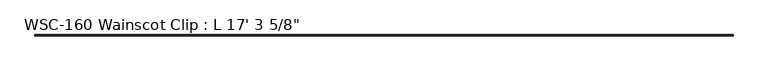
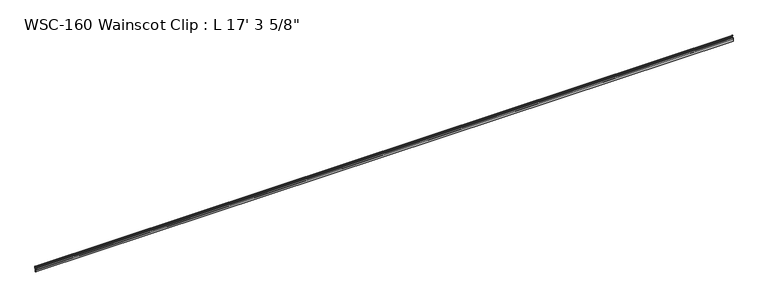
"""IFC4 building model written with IfcOpenShell, lengths in millimetres: proxy geometry."""

from ifc_helpers import new_model, si_unit, frame, origin, place, context, project, spatial, polyline, circle_curve, source, transform, mapped, element, save
from ifc_brep_helpers import plane_surface, cylinder_surface, revolved_surface, advanced_brep


def proxy_ac32ebb0(model_context):
    return source(origin(), model_context, "Body", "AdvancedBrep", [
        advanced_brep(
        [(5273.675, -2.3858534, 23.8097395), (5273.675, 0.0, 23.8097395), (5273.675, 0.0, 36.5513594), (5273.675, -2.3349522, 39.6132126), (5273.675, -2.0809522, 40.594561), (5273.675, -2.3349522, 41.3393599), (5273.675, -2.0809522, 42.1048475), (5273.675, -2.3329752, 43.1624591), (5273.675, -4.1129522, 43.1610826), (5273.675, -4.3669522, 42.395595), (5273.675, -4.1129522, 41.6507961), (5273.675, -4.3669522, 40.8853085), (5273.675, -4.1129522, 40.1405096), (5273.675, -4.1129522, 38.1388594), (5273.675, -3.175, 38.1388594), (5273.675, -1.5875, 36.5513594), (5273.675, -1.5875, 33.1154996), (5273.675, -1.3035832, 32.0559078), (5273.675, -1.3035832, 30.7205546), (5273.675, -1.5875, 29.9404996), (5273.675, -1.5875, 26.9720395), (5273.675, -3.1623, 25.3972395), (5273.675, -5.8629506, 25.3951457), (5273.675, -5.5328714, 24.6872886), (5273.675, -5.8629506, 23.9794315), (5273.675, -5.5328714, 23.2715744), (5273.675, -5.8629506, 22.5637173), (5273.675, -5.5328714, 21.8558602), (5273.675, -5.8629506, 21.1480031), (5273.675, -5.5328714, 20.440146), (5273.675, -5.8629506, 19.7322889), (5273.675, -5.5328714, 19.0244318), (5273.675, -5.8629506, 18.3165747), (5273.675, -5.5328714, 17.6087176), (5273.675, -5.8629506, 16.9008605), (5273.675, -5.5328714, 16.1930034), (5273.675, -5.5328714, 15.3090246), (5273.675, -8.2409572, 15.4279003), (5273.675, -8.2409572, 16.3510451), (5273.675, -8.050618, 17.1144537), (5273.675, -8.2409572, 17.9053684), (5273.675, -8.050618, 18.8008436), (5273.675, -8.2409572, 19.7152763), (5273.675, -8.050618, 20.4786849), (5273.675, -8.2409572, 21.3931176), (5273.675, -8.050618, 22.1565262), (5273.675, -8.2409572, 22.9474409), (5273.675, -8.050618, 23.7108495), (5273.675, -8.2409572, 24.5017642), (5273.675, -8.050618, 25.3972395), (5273.675, -9.525, 25.3972395), (5273.675, -9.525, 0.0), (5273.675, -5.6374865, 0.0), (5273.675, -5.6374865, 1.5327614), (5273.675, -6.5278, 1.5327614), (5273.675, -6.5278, 5.9833241), (5273.675, -7.2186149, 6.674139), (5273.675, -6.5278, 7.3649539), (5273.675, -6.5278, 11.8248539), (5273.675, -5.73278, 12.6198739), (5273.675, -3.9733534, 14.1980366), (5273.675, -3.9733534, 22.2222395), (0.0, -2.3858534, 23.8097395), (0.0, -3.9733534, 22.2222395), (0.0, -3.9733534, 14.1980366), (0.0, -5.73278, 12.6198739), (0.0, -6.5278, 11.8248539), (0.0, -6.5278, 7.3649539), (0.0, -7.2186149, 6.674139), (0.0, -6.5278, 5.9833241), (0.0, -6.5278, 1.5327614), (0.0, -5.6374865, 1.5327614), (0.0, -5.6374865, 0.0), (0.0, -9.525, 0.0), (0.0, -9.525, 25.3972395), (0.0, -8.050618, 25.3972395), (0.0, -8.2409572, 24.5017642), (0.0, -8.050618, 23.7108495), (0.0, -8.2409572, 22.9474409), (0.0, -8.050618, 22.1565262), (0.0, -8.2409572, 21.3931176), (0.0, -8.050618, 20.4786849), (0.0, -8.2409572, 19.7152763), (0.0, -8.050618, 18.8008436), (0.0, -8.2409572, 17.9053684), (0.0, -8.050618, 17.1144537), (0.0, -8.2409572, 16.3510451), (0.0, -8.2409572, 15.4279003), (0.0, -5.5328714, 15.3090246), (0.0, -5.5328714, 16.1930034), (0.0, -5.8629506, 16.9008605), (0.0, -5.5328714, 17.6087176), (0.0, -5.8629506, 18.3165747), (0.0, -5.5328714, 19.0244318), (0.0, -5.8629506, 19.7322889), (0.0, -5.5328714, 20.440146), (0.0, -5.8629506, 21.1480031), (0.0, -5.5328714, 21.8558602), (0.0, -5.8629506, 22.5637173), (0.0, -5.5328714, 23.2715744), (0.0, -5.8629506, 23.9794315), (0.0, -5.5328714, 24.6872886), (0.0, -5.8629506, 25.3951457), (0.0, -3.1623, 25.3951457), (0.0, -1.5875, 26.9720395), (0.0, -1.5875, 29.9404996), (0.0, -1.3035832, 30.7205546), (0.0, -1.3035832, 32.0559078), (0.0, -1.5875, 33.1154996), (0.0, -1.5875, 36.5513594), (0.0, -3.175, 38.1388594), (0.0, -4.1129522, 38.1388594), (0.0, -4.1129522, 40.1405096), (0.0, -4.3669522, 40.8853085), (0.0, -4.1129522, 41.6507961), (0.0, -4.3669522, 42.395595), (0.0, -4.1129522, 43.1610826), (0.0, -2.3329752, 43.1624591), (0.0, -2.0809522, 42.1048475), (0.0, -2.3349522, 41.3393599), (0.0, -2.0809522, 40.594561), (0.0, -2.3349522, 39.6132126), (0.0, 0.0, 36.5513594), (0.0, 0.0, 23.8097395)],
        [
            (0, 1),
            (1, 2),
            (2, 3, circle_curve(frame((5273.675, -3.175, 36.5513594), z_axis=(1.0, 0.0, 0.0), x_axis=(0.0, 0.0, -1.0)), 3.175)),
            (3, 4),
            (4, 5),
            (5, 6),
            (6, 7),
            (7, 8, circle_curve(frame((5273.675, -3.2239522, 44.4400699), z_axis=(-1.0, 0.0, 0.0), x_axis=(0.0, 0.0, -1.0)), 1.5576038)),
            (8, 9),
            (9, 10),
            (10, 11),
            (11, 12),
            (12, 13),
            (13, 14),
            (14, 15, circle_curve(frame((5273.675, -3.175, 36.5513594), z_axis=(-1.0, 0.0, 0.0), x_axis=(0.0, 0.0, -1.0)), 1.5875)),
            (15, 16),
            (16, 17),
            (17, 18),
            (18, 19),
            (19, 20),
            (20, 21, circle_curve(frame((5273.675, -3.1623, 26.9720395), z_axis=(-1.0, 0.0, 0.0), x_axis=(0.0, 0.0, -1.0)), 1.5748)),
            (21, 22),
            (22, 23),
            (23, 24),
            (24, 25),
            (25, 26),
            (26, 27),
            (27, 28),
            (28, 29),
            (29, 30),
            (30, 31),
            (31, 32),
            (32, 33),
            (33, 34),
            (34, 35),
            (35, 36),
            (36, 37, circle_curve(frame((5273.675, -6.8679054, 15.8014998), z_axis=(-1.0, 0.0, 0.0), x_axis=(0.0, 0.0, -1.0)), 1.4229714)),
            (37, 38),
            (38, 39),
            (39, 40),
            (40, 41),
            (41, 42),
            (42, 43),
            (43, 44),
            (44, 45),
            (45, 46),
            (46, 47),
            (47, 48),
            (48, 49),
            (49, 50),
            (50, 51),
            (51, 52),
            (52, 53),
            (53, 54),
            (54, 55),
            (55, 56),
            (56, 57),
            (57, 58),
            (58, 59, circle_curve(frame((5273.675, -5.73278, 11.8248539), z_axis=(-1.0, 0.0, 0.0), x_axis=(0.0, 0.0, -1.0)), 0.79502)),
            (59, 60, circle_curve(frame((5273.675, -5.5608534, 14.1980366), z_axis=(1.0, 0.0, 0.0), x_axis=(0.0, 0.0, -1.0)), 1.5875)),
            (60, 61),
            (61, 0, circle_curve(frame((5273.675, -2.3858534, 22.2222395), z_axis=(-1.0, 0.0, 0.0), x_axis=(0.0, 0.0, -1.0)), 1.5875)),
            (62, 63, circle_curve(frame((0.0, -2.3858534, 22.2222395), z_axis=(1.0, 0.0, 0.0), x_axis=(0.0, 0.0, -1.0)), 1.5875)),
            (63, 64),
            (64, 65, circle_curve(frame((0.0, -5.5608534, 14.1980366), z_axis=(-1.0, 0.0, 0.0), x_axis=(0.0, 0.0, -1.0)), 1.5875)),
            (65, 66, circle_curve(frame((0.0, -5.73278, 11.8248539), z_axis=(1.0, 0.0, 0.0), x_axis=(0.0, 0.0, -1.0)), 0.79502)),
            (66, 67),
            (67, 68),
            (68, 69),
            (69, 70),
            (70, 71),
            (71, 72),
            (72, 73),
            (73, 74),
            (74, 75),
            (75, 76),
            (76, 77),
            (77, 78),
            (78, 79),
            (79, 80),
            (80, 81),
            (81, 82),
            (82, 83),
            (83, 84),
            (84, 85),
            (85, 86),
            (86, 87),
            (87, 88, circle_curve(frame((0.0, -6.8679054, 15.8014998), z_axis=(1.0, 0.0, 0.0), x_axis=(0.0, 0.0, -1.0)), 1.4229714)),
            (88, 89),
            (89, 90),
            (90, 91),
            (91, 92),
            (92, 93),
            (93, 94),
            (94, 95),
            (95, 96),
            (96, 97),
            (97, 98),
            (98, 99),
            (99, 100),
            (100, 101),
            (101, 102),
            (102, 103),
            (103, 104, circle_curve(frame((0.0, -3.1623, 26.9720395), z_axis=(1.0, 0.0, 0.0), x_axis=(0.0, 0.0, -1.0)), 1.5748)),
            (104, 105),
            (105, 106),
            (106, 107),
            (107, 108),
            (108, 109),
            (109, 110, circle_curve(frame((0.0, -3.175, 36.5513594), z_axis=(1.0, 0.0, 0.0), x_axis=(0.0, 0.0, -1.0)), 1.5875)),
            (110, 111),
            (111, 112),
            (112, 113),
            (113, 114),
            (114, 115),
            (115, 116),
            (116, 117, circle_curve(frame((0.0, -3.2239522, 44.4400699), z_axis=(1.0, 0.0, 0.0), x_axis=(0.0, 0.0, -1.0)), 1.5576038)),
            (117, 118),
            (118, 119),
            (119, 120),
            (120, 121),
            (121, 122, circle_curve(frame((0.0, -3.175, 36.5513594), z_axis=(-1.0, 0.0, 0.0), x_axis=(0.0, 0.0, -1.0)), 3.175)),
            (122, 123),
            (123, 62),
            (0, 62),
            (123, 1),
            (122, 2),
            (121, 3),
            (120, 4),
            (119, 5),
            (118, 6),
            (117, 7),
            (116, 8),
            (115, 9),
            (114, 10),
            (113, 11),
            (112, 12),
            (111, 13),
            (110, 14),
            (109, 15),
            (108, 16),
            (107, 17),
            (106, 18),
            (105, 19),
            (104, 20),
            (103, 21),
            (102, 22),
            (101, 23),
            (100, 24),
            (99, 25),
            (98, 26),
            (97, 27),
            (96, 28),
            (95, 29),
            (94, 30),
            (93, 31),
            (92, 32),
            (91, 33),
            (90, 34),
            (89, 35),
            (88, 36),
            (87, 37),
            (86, 38),
            (85, 39),
            (84, 40),
            (83, 41),
            (82, 42),
            (81, 43),
            (80, 44),
            (79, 45),
            (78, 46),
            (77, 47),
            (76, 48),
            (75, 49),
            (74, 50),
            (73, 51),
            (72, 52),
            (71, 53),
            (70, 54),
            (69, 55),
            (68, 56),
            (67, 57),
            (66, 58),
            (65, 59),
            (64, 60),
            (63, 61),
        ],
        [
            plane_surface(frame((5273.675, -2.3858534, 23.8097395), z_axis=(1.0, 0.0, 0.0), x_axis=(0.0, 1.0, 0.0))),
            plane_surface(frame((0.0, -2.3858534, 23.8097395), z_axis=(-1.0, 0.0, 0.0), x_axis=(0.0, -1.0, 0.0))),
            plane_surface(frame((5273.675, -2.3858534, 23.8097395), z_axis=(0.0, 0.0, -1.0), x_axis=(-1.0, 0.0, 0.0))),
            plane_surface(frame((5273.675, 0.0, 23.8097395), z_axis=(0.0, 1.0, 0.0), x_axis=(-1.0, 0.0, 0.0))),
            cylinder_surface(frame((0.0, -3.175, 36.5513594), z_axis=(1.0, 0.0, 0.0), x_axis=(0.0, 0.0, -1.0)), 3.175),
            plane_surface(frame((5273.675, -2.3349522, 39.6132126), z_axis=(0.0, 0.9680983532440974, -0.25057050593808283), x_axis=(-1.0, 0.0, 0.0))),
            plane_surface(frame((5273.675, -2.0809522, 40.594561), z_axis=(0.0, 0.9464747536957336, 0.32277785025710864), x_axis=(-1.0, 0.0, 0.0))),
            plane_surface(frame((5273.675, -2.3349522, 41.3393599), z_axis=(0.0, 0.9491148332111727, -0.3149302039794338), x_axis=(-1.0, 0.0, 0.0))),
            plane_surface(frame((5273.675, -2.0809522, 42.1048475), z_axis=(0.0, 0.9727625382470033, 0.23180389164819368), x_axis=(-1.0, 0.0, 0.0))),
            revolved_surface(polyline([(0.0, -3.2239522, 42.882466099999995), (5273.675, -3.2239522, 42.882466099999995)]), (0.0, -3.2239522, 44.4400699), (-1.0, 0.0, 0.0)),
            plane_surface(frame((5273.675, -4.1129522, 43.1610826), z_axis=(0.0, -0.9491148332111751, 0.31493020397942695), x_axis=(-1.0, 0.0, 0.0))),
            plane_surface(frame((5273.675, -4.3669522, 42.395595), z_axis=(0.0, -0.946474753695733, -0.3227778502571104), x_axis=(-1.0, 0.0, 0.0))),
            plane_surface(frame((5273.675, -4.1129522, 41.6507961), z_axis=(0.0, -0.9491148332111737, 0.31493020397943094), x_axis=(-1.0, 0.0, 0.0))),
            plane_surface(frame((5273.675, -4.3669522, 40.8853085), z_axis=(0.0, -0.946474753695735, -0.32277785025710465), x_axis=(-1.0, 0.0, 0.0))),
            plane_surface(frame((5273.675, -4.1129522, 40.1405096), z_axis=(0.0, -1.0, 0.0), x_axis=(-1.0, 0.0, 0.0))),
            plane_surface(frame((5273.675, -4.1129522, 38.1388594), z_axis=(0.0, 0.0, -1.0), x_axis=(-1.0, 0.0, 0.0))),
            revolved_surface(polyline([(0.0, -3.175, 34.963859400000004), (5273.675, -3.175, 34.963859400000004)]), (0.0, -3.175, 36.5513594), (-1.0, 0.0, 0.0)),
            plane_surface(frame((5273.675, -1.5875, 36.5513594), z_axis=(0.0, -1.0, 0.0), x_axis=(-1.0, 0.0, 0.0))),
            plane_surface(frame((5273.675, -1.5875, 33.1154996), z_axis=(0.0, -0.9659258262890671, -0.2588190451025254), x_axis=(-1.0, 0.0, 0.0))),
            plane_surface(frame((5273.675, -1.3035832, 32.0559078), z_axis=(0.0, -1.0, 0.0), x_axis=(-1.0, 0.0, 0.0))),
            plane_surface(frame((5273.675, -1.3035832, 30.7205546), z_axis=(0.0, -0.9396926207859093, 0.3420201433256662), x_axis=(-1.0, 0.0, 0.0))),
            plane_surface(frame((5273.675, -1.5875, 29.9404996), z_axis=(0.0, -1.0, 0.0), x_axis=(-1.0, 0.0, 0.0))),
            revolved_surface(polyline([(0.0, -3.1623, 25.3972395), (5273.675, -3.1623, 25.3972395)]), (0.0, -3.1623, 26.9720395), (-1.0, 0.0, 0.0)),
            plane_surface(frame((5273.675, -3.1623, 25.3951457), z_axis=(0.0, 0.0, 1.0), x_axis=(-1.0, 0.0, 0.0))),
            plane_surface(frame((5273.675, -5.8629506, 25.3951457), z_axis=(0.0, -0.9063077870366459, -0.4226182617407081), x_axis=(-1.0, 0.0, 0.0))),
            plane_surface(frame((5273.675, -5.5328714, 24.6872886), z_axis=(0.0, -0.9063077870366516, 0.42261826174069606), x_axis=(-1.0, 0.0, 0.0))),
            plane_surface(frame((5273.675, -5.8629506, 23.9794315), z_axis=(0.0, -0.9063077870366458, -0.4226182617407084), x_axis=(-1.0, 0.0, 0.0))),
            plane_surface(frame((5273.675, -5.5328714, 23.2715744), z_axis=(0.0, -0.906307787036653, 0.42261826174069284), x_axis=(-1.0, 0.0, 0.0))),
            plane_surface(frame((5273.675, -5.8629506, 22.5637173), z_axis=(0.0, -0.9063077870366464, -0.4226182617407073), x_axis=(-1.0, 0.0, 0.0))),
            plane_surface(frame((5273.675, -5.5328714, 21.8558602), z_axis=(0.0, -0.9063077870366542, 0.4226182617406906), x_axis=(-1.0, 0.0, 0.0))),
            plane_surface(frame((5273.675, -5.8629506, 21.1480031), z_axis=(0.0, -0.9063077870366474, -0.4226182617407052), x_axis=(-1.0, 0.0, 0.0))),
            plane_surface(frame((5273.675, -5.5328714, 20.440146), z_axis=(0.0, -0.9063077870366553, 0.4226182617406882), x_axis=(-1.0, 0.0, 0.0))),
            plane_surface(frame((5273.675, -5.8629506, 19.7322889), z_axis=(0.0, -0.9063077870366473, -0.4226182617407052), x_axis=(-1.0, 0.0, 0.0))),
            plane_surface(frame((5273.675, -5.5328714, 19.0244318), z_axis=(0.0, -0.9063077870366582, 0.42261826174068207), x_axis=(-1.0, 0.0, 0.0))),
            plane_surface(frame((5273.675, -5.8629506, 18.3165747), z_axis=(0.0, -0.9063077870366459, -0.4226182617407081), x_axis=(-1.0, 0.0, 0.0))),
            plane_surface(frame((5273.675, -5.5328714, 17.6087176), z_axis=(0.0, -0.906307787036658, 0.42261826174068207), x_axis=(-1.0, 0.0, 0.0))),
            plane_surface(frame((5273.675, -5.8629506, 16.9008605), z_axis=(0.0, -0.9063077870366475, -0.42261826174070494), x_axis=(-1.0, 0.0, 0.0))),
            plane_surface(frame((5273.675, -5.5328714, 16.1930034), z_axis=(0.0, -1.0, 0.0), x_axis=(-1.0, 0.0, 0.0))),
            revolved_surface(polyline([(0.0, -6.8679054, 14.3785284), (5273.675, -6.8679054, 14.3785284)]), (0.0, -6.8679054, 15.8014998), (-1.0, 0.0, 0.0)),
            plane_surface(frame((5273.675, -8.2409572, 15.4279003), z_axis=(0.0, 1.0, 0.0), x_axis=(-1.0, 0.0, 0.0))),
            plane_surface(frame((5273.675, -8.2409572, 16.3510451), z_axis=(0.0, 0.9702957262759974, -0.2419218955996646), x_axis=(-1.0, 0.0, 0.0))),
            plane_surface(frame((5273.675, -8.050618, 17.1144537), z_axis=(0.0, 0.9722421717392611, 0.23397683537419944), x_axis=(-1.0, 0.0, 0.0))),
            plane_surface(frame((5273.675, -8.2409572, 17.9053684), z_axis=(0.0, 0.9781476007338057, -0.20791169081775937), x_axis=(-1.0, 0.0, 0.0))),
            plane_surface(frame((5273.675, -8.050618, 18.8008436), z_axis=(0.0, 0.9790162504721776, 0.2037821908592571), x_axis=(-1.0, 0.0, 0.0))),
            plane_surface(frame((5273.675, -8.2409572, 19.7152763), z_axis=(0.0, 0.9702957262759989, -0.24192189559965824), x_axis=(-1.0, 0.0, 0.0))),
            plane_surface(frame((5273.675, -8.050618, 20.4786849), z_axis=(0.0, 0.9790162504721778, 0.20378219085925564), x_axis=(-1.0, 0.0, 0.0))),
            plane_surface(frame((5273.675, -8.2409572, 21.3931176), z_axis=(0.0, 0.9702957262759974, -0.24192189559966457), x_axis=(-1.0, 0.0, 0.0))),
            plane_surface(frame((5273.675, -8.050618, 22.1565262), z_axis=(0.0, 0.9722421717392612, 0.23397683537419922), x_axis=(-1.0, 0.0, 0.0))),
            plane_surface(frame((5273.675, -8.2409572, 22.9474409), z_axis=(0.0, 0.9702957262759969, -0.2419218955996659), x_axis=(-1.0, 0.0, 0.0))),
            plane_surface(frame((5273.675, -8.050618, 23.7108495), z_axis=(0.0, 0.9722421717392613, 0.23397683537419872), x_axis=(-1.0, 0.0, 0.0))),
            plane_surface(frame((5273.675, -8.2409572, 24.5017642), z_axis=(0.0, 0.9781476007338065, -0.20791169081775543), x_axis=(-1.0, 0.0, 0.0))),
            plane_surface(frame((5273.675, -8.050618, 25.3972395), z_axis=(0.0, 0.0, 1.0), x_axis=(-1.0, 0.0, 0.0))),
            plane_surface(frame((5273.675, -9.525, 25.3972395), z_axis=(0.0, -1.0, 0.0), x_axis=(-1.0, 0.0, 0.0))),
            plane_surface(frame((5273.675, -9.525, 0.0), z_axis=(0.0, 0.0, -1.0), x_axis=(-1.0, 0.0, 0.0))),
            plane_surface(frame((5273.675, -5.6374865, 0.0), z_axis=(0.0, 1.0, 0.0), x_axis=(-1.0, 0.0, 0.0))),
            plane_surface(frame((5273.675, -5.6374865, 1.5327614), z_axis=(0.0, 0.0, 1.0), x_axis=(-1.0, 0.0, 0.0))),
            plane_surface(frame((5273.675, -6.5278, 1.5327614), z_axis=(0.0, 1.0, 0.0), x_axis=(-1.0, 0.0, 0.0))),
            plane_surface(frame((5273.675, -6.5278, 5.9833241), z_axis=(0.0, 0.7071067811866016, 0.7071067811864934), x_axis=(-1.0, 0.0, 0.0))),
            plane_surface(frame((5273.675, -7.2186149, 6.674139), z_axis=(0.0, 0.7071067811864284, -0.7071067811866666), x_axis=(-1.0, 0.0, 0.0))),
            plane_surface(frame((5273.675, -6.5278, 7.3649539), z_axis=(0.0, 1.0, 0.0), x_axis=(-1.0, 0.0, 0.0))),
            revolved_surface(polyline([(0.0, -5.73278, 11.029833900000002), (5273.675, -5.73278, 11.029833900000002)]), (0.0, -5.73278, 11.8248539), (-1.0, 0.0, 0.0)),
            cylinder_surface(frame((0.0, -5.5608534, 14.1980366), z_axis=(1.0, 0.0, 0.0), x_axis=(0.0, 0.0, -1.0)), 1.5875),
            plane_surface(frame((5273.675, -3.9733534, 14.1980366), z_axis=(0.0, 1.0, 0.0), x_axis=(-1.0, 0.0, 0.0))),
            revolved_surface(polyline([(0.0, -2.3858534, 20.634739500000002), (5273.675, -2.3858534, 20.634739500000002)]), (0.0, -2.3858534, 22.2222395), (-1.0, 0.0, 0.0)),
        ],
        [
            (0, [[1, 2, 3, 4, 5, 6, 7, 8, 9, 10, 11, 12, 13, 14, 15, 16, 17, 18, 19, 20, 21, 22, 23, 24, 25, 26, 27, 28, 29, 30, 31, 32, 33, 34, 35, 36, 37, 38, 39, 40, 41, 42, 43, 44, 45, 46, 47, 48, 49, 50, 51, 52, 53, 54, 55, 56, 57, 58, 59, 60, 61, 62]]),
            (1, [[63, 64, 65, 66, 67, 68, 69, 70, 71, 72, 73, 74, 75, 76, 77, 78, 79, 80, 81, 82, 83, 84, 85, 86, 87, 88, 89, 90, 91, 92, 93, 94, 95, 96, 97, 98, 99, 100, 101, 102, 103, 104, 105, 106, 107, 108, 109, 110, 111, 112, 113, 114, 115, 116, 117, 118, 119, 120, 121, 122, 123, 124]]),
            (2, [[-1, 125, -124, 126]]),
            (3, [[-2, -126, -123, 127]]),
            (4, [[-3, -127, -122, 128]]),
            (5, [[-4, -128, -121, 129]]),
            (6, [[-5, -129, -120, 130]]),
            (7, [[-6, -130, -119, 131]]),
            (8, [[-7, -131, -118, 132]]),
            (9, [[-8, -132, -117, 133]]),
            (10, [[-9, -133, -116, 134]]),
            (11, [[-10, -134, -115, 135]]),
            (12, [[-11, -135, -114, 136]]),
            (13, [[-12, -136, -113, 137]]),
            (14, [[-13, -137, -112, 138]]),
            (15, [[-14, -138, -111, 139]]),
            (16, [[-15, -139, -110, 140]]),
            (17, [[-16, -140, -109, 141]]),
            (18, [[-17, -141, -108, 142]]),
            (19, [[-18, -142, -107, 143]]),
            (20, [[-19, -143, -106, 144]]),
            (21, [[-20, -144, -105, 145]]),
            (22, [[-21, -145, -104, 146]]),
            (23, [[-22, -146, -103, 147]]),
            (24, [[-23, -147, -102, 148]]),
            (25, [[-24, -148, -101, 149]]),
            (26, [[-25, -149, -100, 150]]),
            (27, [[-26, -150, -99, 151]]),
            (28, [[-27, -151, -98, 152]]),
            (29, [[-28, -152, -97, 153]]),
            (30, [[-29, -153, -96, 154]]),
            (31, [[-30, -154, -95, 155]]),
            (32, [[-31, -155, -94, 156]]),
            (33, [[-32, -156, -93, 157]]),
            (34, [[-33, -157, -92, 158]]),
            (35, [[-34, -158, -91, 159]]),
            (36, [[-35, -159, -90, 160]]),
            (37, [[-36, -160, -89, 161]]),
            (38, [[-37, -161, -88, 162]]),
            (39, [[-38, -162, -87, 163]]),
            (40, [[-39, -163, -86, 164]]),
            (41, [[-40, -164, -85, 165]]),
            (42, [[-41, -165, -84, 166]]),
            (43, [[-42, -166, -83, 167]]),
            (44, [[-43, -167, -82, 168]]),
            (45, [[-44, -168, -81, 169]]),
            (46, [[-45, -169, -80, 170]]),
            (47, [[-46, -170, -79, 171]]),
            (48, [[-47, -171, -78, 172]]),
            (49, [[-48, -172, -77, 173]]),
            (50, [[-49, -173, -76, 174]]),
            (51, [[-50, -174, -75, 175]]),
            (52, [[-51, -175, -74, 176]]),
            (53, [[-52, -176, -73, 177]]),
            (54, [[-53, -177, -72, 178]]),
            (55, [[-54, -178, -71, 179]]),
            (56, [[-55, -179, -70, 180]]),
            (57, [[-56, -180, -69, 181]]),
            (58, [[-57, -181, -68, 182]]),
            (59, [[-58, -182, -67, 183]]),
            (60, [[-59, -183, -66, 184]]),
            (61, [[-60, -184, -65, 185]]),
            (62, [[-61, -185, -64, 186]]),
            (63, [[-62, -186, -63, -125]]),
        ],
    ),
    ])


if __name__ == "__main__":
    model = new_model("IFC4")
    model_context = context("Model", 3, world=origin())
    ifc_project = project(units=[si_unit("LENGTHUNIT", "METRE", prefix="MILLI")], contexts=[model_context])
    site = spatial("IfcSite", under=ifc_project)
    building = spatial("IfcBuilding", under=site)
    placement = place(None, origin())
    proxy_shape = proxy_ac32ebb0(model_context)
    element("IfcBuildingElementProxy", 1, Name="WSC-160 Wainscot Clip : L 17' 3 5/8\"", ObjectType="WSC-160 Wainscot Clip : L 17' 3 5/8\"", at=placement, inside=building, context=model_context, shape_type="MappedRepresentation", body=[
        mapped(proxy_shape, transform((0.0, 0.0, 0.0), x_axis=(1.0, 0.0, 0.0), y_axis=(0.0, 1.0, 0.0), z_axis=(0.0, 0.0, 1.0))),
    ])
    save(model, "model.ifc")
